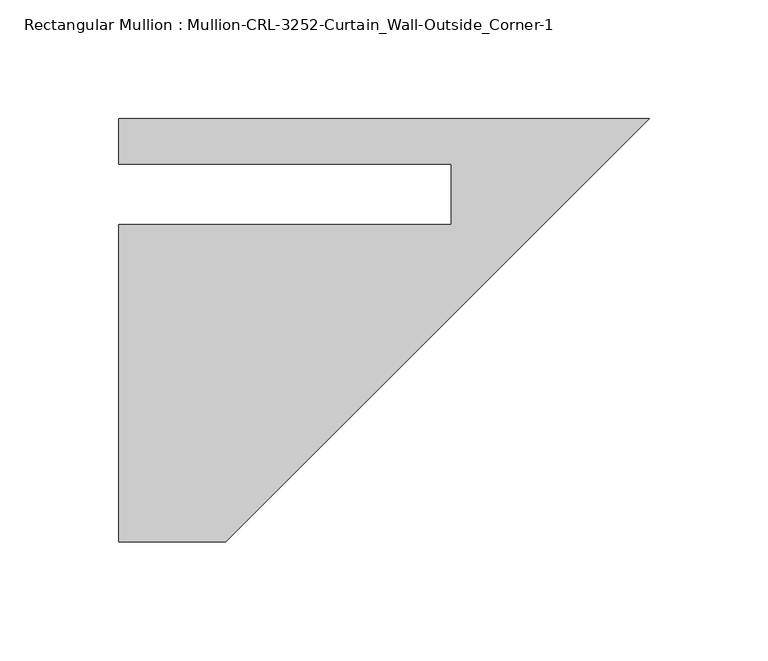
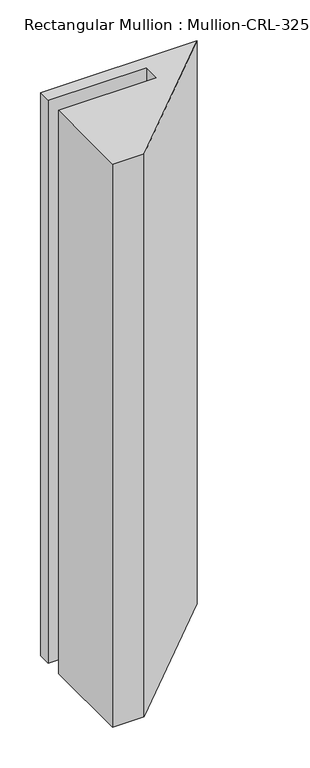
"""IFC4 building model written with IfcOpenShell, lengths in millimetres: member geometry, Rectangular Mullion : Mullion-CRL-3252-Curtain_Wall-Outside_Corner-1."""

from ifc_helpers import new_model, si_unit, frame, origin, place, context, project, spatial, polyline, outline, extrude, source, transform, mapped, element, save


def rectangular_mullion_mullion_crl_3252_curtain_wall_outside_54056a8a(model_context):
    return source(origin(), model_context, "Body", "SweptSolid", [
        extrude(outline(polyline([(0.0, 31.794609), (-177.8, -146.005391), (-222.7150879, -146.005391), (-222.7150879, -12.7), (-83.0821975, -12.7), (-83.0821975, 12.7), (-222.7150879, 12.7), (-222.7150879, 31.794609), (0.0, 31.794609)])), frame((0.0, 0.0, -845.8398438), z_axis=(0.0, 0.0, 1.0), x_axis=(1.0, 0.0, 0.0)), (0.0, 0.0, 1.0), 845.8398438),
    ])


if __name__ == "__main__":
    model = new_model("IFC4")
    model_context = context("Model", 3, world=origin())
    ifc_project = project(units=[si_unit("LENGTHUNIT", "METRE", prefix="MILLI")], contexts=[model_context])
    site = spatial("IfcSite", under=ifc_project)
    building = spatial("IfcBuilding", under=site)
    placement = place(None, origin())
    rectangular_mullion_mullion_crl_3252_curtain_wall_outside_shape = rectangular_mullion_mullion_crl_3252_curtain_wall_outside_54056a8a(model_context)
    element("IfcMember", 1, ObjectType="Rectangular Mullion : Mullion-CRL-3252-Curtain_Wall-Outside_Corner-1", at=placement, inside=building, context=model_context, shape_type="MappedRepresentation", body=[
        mapped(rectangular_mullion_mullion_crl_3252_curtain_wall_outside_shape, transform((0.0, 0.0, 0.0), x_axis=(1.0, 0.0, 0.0), y_axis=(0.0, 1.0, 0.0), z_axis=(0.0, 0.0, 1.0))),
    ])
    save(model, "model.ifc")
